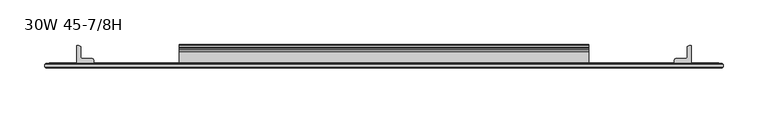
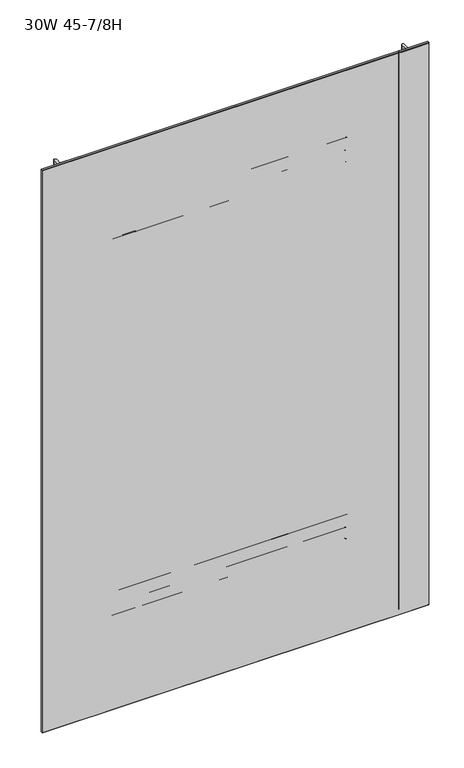
"""IFC4 building model written with IfcOpenShell, lengths in millimetres: furniture geometry, 30W 45-7/8H."""

from ifc_helpers import new_model, si_unit, point, frame, frame_2d, origin, place, context, project, spatial, polyline, circle_curve, trimmed, segment, composite_curve, outline, extrude, faceted_brep, source, transform, mapped, element, save


def furniture_30w_45_7_8h_65bb7467(model_context):
    return source(origin(), model_context, "Body", "SolidModel", [
        extrude(outline(composite_curve([segment(polyline([(-5.2324, 716.6049175), (-5.2324, 737.7234434)]), True, "CONTINUOUS"), segment(trimmed(circle_curve(frame_2d((-4.677496, 737.7234434)), 0.554904), [point((-5.2324, 737.7234434))], [point((-4.5338691, 738.2594377))], False, "CARTESIAN"), True, "CONTINUOUS"), segment(polyline([(-4.5338691, 738.2594377), (-3.3274001, 737.9361481), (-2.3976956, 737.006481), (-2.0574001, 735.7364277), (-2.0574001, 722.9666431)]), True, "CONTINUOUS"), segment(trimmed(circle_curve(frame_2d((-1.4921701, 722.9666431)), 0.5652299), [point((-2.0574001, 722.9666431))], [point((-1.4921701, 722.4014132))], True, "CARTESIAN"), True, "CONTINUOUS"), segment(polyline([(-1.4921701, 722.4014132), (0.5143951, 722.4014132)]), True, "CONTINUOUS"), segment(trimmed(circle_curve(frame_2d((0.5143951, 721.7982083)), 0.6032049), [point((0.5143951, 722.4014132))], [point((1.1176, 721.7982083))], False, "CARTESIAN"), True, "CONTINUOUS"), segment(polyline([(1.1176, 721.7982083), (1.1176, 690.6836046)]), True, "CONTINUOUS"), segment(trimmed(circle_curve(frame_2d((0.6637885, 693.3728096)), 2.7272272), [point((1.1176, 690.6836046))], [point((-2.0574001, 693.1914229))], False, "CARTESIAN"), True, "CONTINUOUS"), segment(polyline([(-2.0574001, 693.1914229), (-2.0574001, 715.5071717)]), True, "CONTINUOUS"), segment(trimmed(circle_curve(frame_2d((-2.6016657, 715.5071717)), 0.5442657), [point((-2.0574001, 715.5071717))], [point((-2.6016657, 716.0514374))], True, "CARTESIAN"), True, "CONTINUOUS"), segment(polyline([(-2.6016657, 716.0514374), (-4.6789199, 716.0514374)]), True, "CONTINUOUS"), segment(trimmed(circle_curve(frame_2d((-4.6789199, 716.6049175)), 0.5534801), [point((-4.6789199, 716.0514374))], [point((-5.2324, 716.6049175))], False, "CARTESIAN"), True, "CONTINUOUS")], self_intersect=False)), frame((152.4, 0.0, 0.0), z_axis=(1.0, 0.0, 0.0), x_axis=(0.0, 1.0, 0.0)), (0.0, 0.0, 1.0), 457.2),
        extrude(outline(composite_curve([segment(polyline([(-7.1373999, 770.0264132), (-4.5974, 769.3458588), (-2.7379909, 767.4864519), (-2.0574001, 764.946418), (-2.0574001, 743.3327352)]), True, "CONTINUOUS"), segment(trimmed(circle_curve(frame_2d((-1.4969277, 743.3327352)), 0.5604724), [point((-2.0574001, 743.3327352))], [point((-1.4969277, 742.7722628))], True, "CARTESIAN"), True, "CONTINUOUS"), segment(polyline([(-1.4969277, 742.7722628), (0.4039455, 742.7722628)]), True, "CONTINUOUS"), segment(trimmed(circle_curve(frame_2d((0.4039455, 742.0586084)), 0.7136544), [point((0.4039455, 742.7722628))], [point((1.1176, 742.0586084))], False, "CARTESIAN"), True, "CONTINUOUS"), segment(polyline([(1.1176, 742.0586084), (1.1176, 723.7024694)]), True, "CONTINUOUS"), segment(trimmed(circle_curve(frame_2d((0.4746932, 723.7024694)), 0.6429068), [point((1.1176, 723.7024694))], [point((-0.1003385, 723.4149495))], False, "CARTESIAN"), True, "CONTINUOUS"), segment(polyline([(-0.1003385, 723.4149495), (-1.8183367, 726.8508984)]), True, "CONTINUOUS"), segment(trimmed(circle_curve(frame_2d((0.2069874, 727.8635745)), 2.2643874), [point((-1.8183367, 726.8508984))], [point((-2.0574001, 727.8635745))], False, "CARTESIAN"), True, "CONTINUOUS"), segment(polyline([(-2.0574001, 727.8635745), (-2.0574001, 737.5392528)]), True, "CONTINUOUS"), segment(trimmed(circle_curve(frame_2d((-2.7946089, 737.5392528)), 0.7372088), [point((-2.0574001, 737.5392528))], [point((-2.7946089, 738.2764616))], True, "CARTESIAN"), True, "CONTINUOUS"), segment(polyline([(-2.7946089, 738.2764616), (-19.4564001, 738.2764616), (-19.4564001, 770.0264132), (-7.1373999, 770.0264132)]), True, "CONTINUOUS")], self_intersect=False), holes=[composite_curve([segment(trimmed(circle_curve(frame_2d((-13.0222745, 764.7353262)), 2.7511257), [point((-13.0222745, 767.4864519))], [point((-15.7734002, 764.7353262))], True, "CARTESIAN"), True, "CONTINUOUS"), segment(polyline([(-15.7734002, 764.7353262), (-15.7734002, 743.4004781)]), True, "CONTINUOUS"), segment(trimmed(circle_curve(frame_2d((-13.189345, 743.4004781)), 2.5840552), [point((-15.7734002, 743.4004781))], [point((-13.189345, 740.8164229))], True, "CARTESIAN"), True, "CONTINUOUS"), segment(polyline([(-13.189345, 740.8164229), (-7.4218653, 740.8164229)]), True, "CONTINUOUS"), segment(trimmed(circle_curve(frame_2d((-7.4218653, 743.6408881)), 2.8244652), [point((-7.4218653, 740.8164229))], [point((-4.5974, 743.6408881))], True, "CARTESIAN"), True, "CONTINUOUS"), segment(polyline([(-4.5974, 743.6408881), (-4.5974, 764.8093081)]), True, "CONTINUOUS"), segment(trimmed(circle_curve(frame_2d((-7.2745438, 764.8093081)), 2.6771438), [point((-4.5974, 764.8093081))], [point((-7.2745438, 767.4864519))], True, "CARTESIAN"), True, "CONTINUOUS"), segment(polyline([(-7.2745438, 767.4864519), (-13.0222745, 767.4864519)]), True, "CONTINUOUS")], self_intersect=False)]), frame((152.4, 0.0, 0.0), z_axis=(1.0, 0.0, 0.0), x_axis=(0.0, 1.0, 0.0)), (0.0, 0.0, 1.0), 457.2),
        extrude(outline(composite_curve([segment(polyline([(-5.2324, 1497.6422044), (-5.2324, 1518.7607302)]), True, "CONTINUOUS"), segment(trimmed(circle_curve(frame_2d((-4.677496, 1518.7607302)), 0.554904), [point((-5.2324, 1518.7607302))], [point((-4.5338691, 1519.2967245))], False, "CARTESIAN"), True, "CONTINUOUS"), segment(polyline([(-4.5338691, 1519.2967245), (-3.3274001, 1518.9734349), (-2.3976956, 1518.0437678), (-2.0574001, 1516.7737145), (-2.0574001, 1504.0039299)]), True, "CONTINUOUS"), segment(trimmed(circle_curve(frame_2d((-1.4921701, 1504.0039299)), 0.5652299), [point((-2.0574001, 1504.0039299))], [point((-1.4921701, 1503.4387))], True, "CARTESIAN"), True, "CONTINUOUS"), segment(polyline([(-1.4921701, 1503.4387), (0.5143951, 1503.4387)]), True, "CONTINUOUS"), segment(trimmed(circle_curve(frame_2d((0.5143951, 1502.8354951)), 0.6032049), [point((0.5143951, 1503.4387))], [point((1.1176, 1502.8354951))], False, "CARTESIAN"), True, "CONTINUOUS"), segment(polyline([(1.1176, 1502.8354951), (1.1176, 1471.7208914)]), True, "CONTINUOUS"), segment(trimmed(circle_curve(frame_2d((0.6637885, 1474.4100964)), 2.7272272), [point((1.1176, 1471.7208914))], [point((-2.0574001, 1474.2287097))], False, "CARTESIAN"), True, "CONTINUOUS"), segment(polyline([(-2.0574001, 1474.2287097), (-2.0574001, 1496.5444586)]), True, "CONTINUOUS"), segment(trimmed(circle_curve(frame_2d((-2.6016657, 1496.5444586)), 0.5442657), [point((-2.0574001, 1496.5444586))], [point((-2.6016657, 1497.0887242))], True, "CARTESIAN"), True, "CONTINUOUS"), segment(polyline([(-2.6016657, 1497.0887242), (-4.6789199, 1497.0887242)]), True, "CONTINUOUS"), segment(trimmed(circle_curve(frame_2d((-4.6789199, 1497.6422044)), 0.5534801), [point((-4.6789199, 1497.0887242))], [point((-5.2324, 1497.6422044))], False, "CARTESIAN"), True, "CONTINUOUS")], self_intersect=False)), frame((152.4, 0.0, 0.0), z_axis=(1.0, 0.0, 0.0), x_axis=(0.0, 1.0, 0.0)), (0.0, 0.0, 1.0), 457.2),
        extrude(outline(composite_curve([segment(polyline([(-7.1373999, 1551.0637), (-4.5974, 1550.3831456), (-2.7379909, 1548.5237388), (-2.0574001, 1545.9837048), (-2.0574001, 1524.370022)]), True, "CONTINUOUS"), segment(trimmed(circle_curve(frame_2d((-1.4969277, 1524.370022)), 0.5604724), [point((-2.0574001, 1524.370022))], [point((-1.4969277, 1523.8095496))], True, "CARTESIAN"), True, "CONTINUOUS"), segment(polyline([(-1.4969277, 1523.8095496), (0.4039455, 1523.8095496)]), True, "CONTINUOUS"), segment(trimmed(circle_curve(frame_2d((0.4039455, 1523.0958952)), 0.7136544), [point((0.4039455, 1523.8095496))], [point((1.1176, 1523.0958952))], False, "CARTESIAN"), True, "CONTINUOUS"), segment(polyline([(1.1176, 1523.0958952), (1.1176, 1504.7397562)]), True, "CONTINUOUS"), segment(trimmed(circle_curve(frame_2d((0.4746932, 1504.7397562)), 0.6429068), [point((1.1176, 1504.7397562))], [point((-0.1003385, 1504.4522364))], False, "CARTESIAN"), True, "CONTINUOUS"), segment(polyline([(-0.1003385, 1504.4522364), (-1.8183367, 1507.8881852)]), True, "CONTINUOUS"), segment(trimmed(circle_curve(frame_2d((0.2069874, 1508.9008613)), 2.2643874), [point((-1.8183367, 1507.8881852))], [point((-2.0574001, 1508.9008613))], False, "CARTESIAN"), True, "CONTINUOUS"), segment(polyline([(-2.0574001, 1508.9008613), (-2.0574001, 1518.5765396)]), True, "CONTINUOUS"), segment(trimmed(circle_curve(frame_2d((-2.7946089, 1518.5765396)), 0.7372088), [point((-2.0574001, 1518.5765396))], [point((-2.7946089, 1519.3137484))], True, "CARTESIAN"), True, "CONTINUOUS"), segment(polyline([(-2.7946089, 1519.3137484), (-19.4564001, 1519.3137484), (-19.4564001, 1551.0637), (-7.1373999, 1551.0637)]), True, "CONTINUOUS")], self_intersect=False), holes=[composite_curve([segment(trimmed(circle_curve(frame_2d((-13.0222745, 1545.772613)), 2.7511257), [point((-13.0222745, 1548.5237388))], [point((-15.7734002, 1545.772613))], True, "CARTESIAN"), True, "CONTINUOUS"), segment(polyline([(-15.7734002, 1545.772613), (-15.7734002, 1524.4377649)]), True, "CONTINUOUS"), segment(trimmed(circle_curve(frame_2d((-13.189345, 1524.4377649)), 2.5840552), [point((-15.7734002, 1524.4377649))], [point((-13.189345, 1521.8537097))], True, "CARTESIAN"), True, "CONTINUOUS"), segment(polyline([(-13.189345, 1521.8537097), (-7.4218653, 1521.8537097)]), True, "CONTINUOUS"), segment(trimmed(circle_curve(frame_2d((-7.4218653, 1524.6781749)), 2.8244652), [point((-7.4218653, 1521.8537097))], [point((-4.5974, 1524.6781749))], True, "CARTESIAN"), True, "CONTINUOUS"), segment(polyline([(-4.5974, 1524.6781749), (-4.5974, 1545.846595)]), True, "CONTINUOUS"), segment(trimmed(circle_curve(frame_2d((-7.2745438, 1545.846595)), 2.6771438), [point((-4.5974, 1545.846595))], [point((-7.2745438, 1548.5237388))], True, "CARTESIAN"), True, "CONTINUOUS"), segment(polyline([(-7.2745438, 1548.5237388), (-13.0222745, 1548.5237388)]), True, "CONTINUOUS")], self_intersect=False)]), frame((152.4, 0.0, 0.0), z_axis=(1.0, 0.0, 0.0), x_axis=(0.0, 1.0, 0.0)), (0.0, 0.0, 1.0), 457.2),
        extrude(outline(composite_curve([segment(trimmed(circle_curve(frame_2d((723.3524764, -18.9088765)), 0.5475236), [point((723.9, -18.9088765))], [point((723.3524764, -19.4564001))], False, "CARTESIAN"), True, "CONTINUOUS"), segment(polyline([(723.3524764, -19.4564001), (705.4113866, -19.4564001)]), True, "CONTINUOUS"), segment(trimmed(circle_curve(frame_2d((705.4113866, -18.8950135)), 0.5613866), [point((705.4113866, -19.4564001))], [point((704.85, -18.8950135))], False, "CARTESIAN"), True, "CONTINUOUS"), segment(polyline([(704.85, -18.8950135), (704.85, -16.8669745)]), True, "CONTINUOUS"), segment(trimmed(circle_curve(frame_2d((707.4294745, -16.8669745)), 2.5794745), [point((704.85, -16.8669745))], [point((707.4294745, -14.2875))], False, "CARTESIAN"), True, "CONTINUOUS"), segment(polyline([(707.4294745, -14.2875), (718.4787912, -14.2875)]), True, "CONTINUOUS"), segment(trimmed(circle_curve(frame_2d((718.4787912, -13.6414903)), 0.6460097), [point((718.4787912, -14.2875))], [point((719.1248009, -13.6414903))], True, "CARTESIAN"), True, "CONTINUOUS"), segment(polyline([(719.1248009, -13.6414903), (719.1248009, -2.768893)]), True, "CONTINUOUS"), segment(trimmed(circle_curve(frame_2d((721.8936939, -2.768893)), 2.768893), [point((719.1248009, -2.768893))], [point((721.8936939, 0.0))], False, "CARTESIAN"), True, "CONTINUOUS"), segment(polyline([(721.8936939, 0.0), (723.3082199, 0.0)]), True, "CONTINUOUS"), segment(trimmed(circle_curve(frame_2d((723.3082199, -0.5917801)), 0.5917801), [point((723.3082199, 0.0))], [point((723.9, -0.5917801))], False, "CARTESIAN"), True, "CONTINUOUS"), segment(polyline([(723.9, -0.5917801), (723.9, -18.9088765)]), True, "CONTINUOUS")], self_intersect=False)), frame((0.0, 0.0, 543.179), z_axis=(0.0, 0.0, 1.0), x_axis=(1.0, 0.0, 0.0)), (0.0, 0.0, 1.0), 1155.6873),
        extrude(outline(composite_curve([segment(polyline([(38.1, -18.9088765), (38.1, -0.5917801)]), True, "CONTINUOUS"), segment(trimmed(circle_curve(frame_2d((38.6917801, -0.5917801)), 0.5917801), [point((38.1, -0.5917801))], [point((38.6917801, 0.0))], False, "CARTESIAN"), True, "CONTINUOUS"), segment(polyline([(38.6917801, 0.0), (40.1063061, 0.0)]), True, "CONTINUOUS"), segment(trimmed(circle_curve(frame_2d((40.1063061, -2.768893)), 2.768893), [point((40.1063061, 0.0))], [point((42.8751991, -2.768893))], False, "CARTESIAN"), True, "CONTINUOUS"), segment(polyline([(42.8751991, -2.768893), (42.8751991, -13.6414903)]), True, "CONTINUOUS"), segment(trimmed(circle_curve(frame_2d((43.5212088, -13.6414903)), 0.6460097), [point((42.8751991, -13.6414903))], [point((43.5212088, -14.2875))], True, "CARTESIAN"), True, "CONTINUOUS"), segment(polyline([(43.5212088, -14.2875), (54.5705255, -14.2875)]), True, "CONTINUOUS"), segment(trimmed(circle_curve(frame_2d((54.5705255, -16.8669745)), 2.5794745), [point((54.5705255, -14.2875))], [point((57.15, -16.8669745))], False, "CARTESIAN"), True, "CONTINUOUS"), segment(polyline([(57.15, -16.8669745), (57.15, -18.8950135)]), True, "CONTINUOUS"), segment(trimmed(circle_curve(frame_2d((56.5886134, -18.8950135)), 0.5613866), [point((57.15, -18.8950135))], [point((56.5886134, -19.4564001))], False, "CARTESIAN"), True, "CONTINUOUS"), segment(polyline([(56.5886134, -19.4564001), (38.6475236, -19.4564001)]), True, "CONTINUOUS"), segment(trimmed(circle_curve(frame_2d((38.6475236, -18.9088765)), 0.5475236), [point((38.6475236, -19.4564001))], [point((38.1, -18.9088765))], False, "CARTESIAN"), True, "CONTINUOUS")], self_intersect=False)), frame((0.0, 0.0, 543.179), z_axis=(0.0, 0.0, 1.0), x_axis=(1.0, 0.0, 0.0)), (0.0, 0.0, 1.0), 1155.6873),
        extrude(outline(polyline([(754.6975002, -20.0634601), (7.3024998, -20.0634601), (7.3024998, -19.4564001), (754.6975002, -19.4564001), (754.6975002, -20.0634601)])), frame((0.0, 0.0, 543.179), z_axis=(0.0, 0.0, 1.0), x_axis=(1.0, 0.0, 0.0)), (0.0, 0.0, 1.0), 1155.6873),
        faceted_brep([(759.4600024, -24.0512595, 1703.6288), (759.4600024, -20.8508598, 1703.6288), (2.5400001, -20.8508598, 1703.6288), (2.5400001, -24.0512595, 1703.6288), (2.5400001, -24.0512595, 538.4038), (2.5400001, -20.8508598, 538.4038), (759.4600024, -20.8508598, 538.4038), (759.4600024, -24.0512595, 538.4038), (3.3274521, -24.8386592, 1702.8413481), (3.3274521, -24.8386592, 539.1912519), (758.6725505, -24.8386592, 539.1912519), (758.6725505, -24.8386592, 1702.8413481), (3.3274521, -20.0634601, 539.1912519), (3.3274521, -20.0634601, 1702.8413481), (758.6725505, -20.0634601, 1702.8413481), (758.6725505, -20.0634601, 539.1912519)], [[[0, 1, 2, 3]], [[4, 5, 6, 7]], [[8, 9, 10, 11]], [[1, 0, 7, 6]], [[12, 13, 14, 15]], [[3, 2, 5, 4]], [[12, 5, 2, 13]], [[4, 9, 8, 3]], [[5, 12, 15, 6]], [[9, 4, 7, 10]], [[6, 15, 14, 1]], [[10, 7, 0, 11]], [[13, 2, 1, 14]], [[3, 8, 11, 0]]]),
    ])


if __name__ == "__main__":
    model = new_model("IFC4")
    model_context = context("Model", 3, world=origin())
    ifc_project = project(units=[si_unit("LENGTHUNIT", "METRE", prefix="MILLI")], contexts=[model_context])
    site = spatial("IfcSite", under=ifc_project)
    building = spatial("IfcBuilding", under=site)
    placement = place(None, origin())
    furniture_30w_45_7_8h_shape = furniture_30w_45_7_8h_65bb7467(model_context)
    element("IfcFurniture", 1, ObjectType="30W 45-7/8H", at=placement, inside=building, context=model_context, shape_type="MappedRepresentation", body=[
        mapped(furniture_30w_45_7_8h_shape, transform((0.0, 0.0, 0.0), x_axis=(1.0, 0.0, 0.0), y_axis=(0.0, 1.0, 0.0), z_axis=(0.0, 0.0, 1.0))),
    ])
    save(model, "model.ifc")
